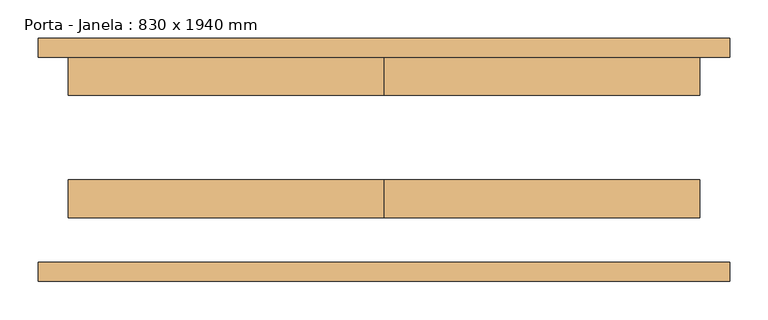
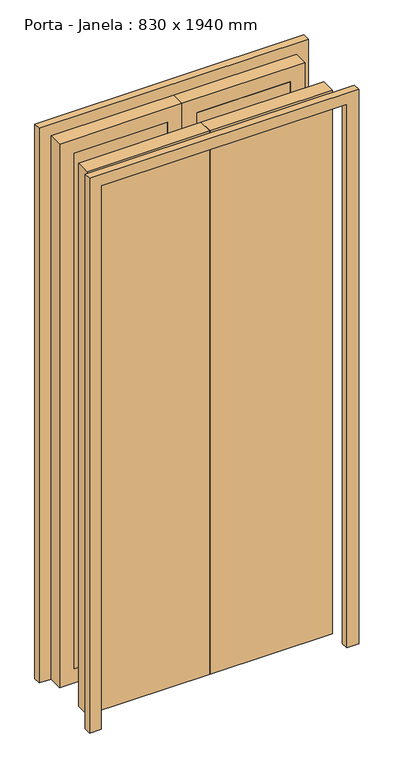
"""IFC4 building model written with IfcOpenShell, lengths in millimetres: door geometry, Porta - Janela : 830 x 1940 mm."""

from ifc_helpers import new_model, si_unit, frame, origin, origin_with_axes, place, context, project, spatial, polyline, outline, extrude, source, transform, mapped, element, save


def porta_janela_830_x_1940_mm_e90587fc(model_context):
    return source(origin(), model_context, "Body", "SweptSolid", [
        extrude(outline(polyline([(1940.0, -415.0), (1940.0, 415.0), (0.0, 415.0), (0.0, 455.0), (1980.0, 455.0), (1980.0, -455.0), (0.0, -455.0), (0.0, -415.0), (1940.0, -415.0)])), frame((0.0, -160.0, 0.0), z_axis=(0.0, 1.0, 0.0), x_axis=(0.0, 0.0, 1.0)), (0.0, 0.0, 1.0), 25.0),
        extrude(outline(polyline([(1940.0, -415.0), (1940.0, 415.0), (0.0, 415.0), (0.0, 455.0), (1980.0, 455.0), (1980.0, -455.0), (0.0, -455.0), (0.0, -415.0), (1940.0, -415.0)])), frame((0.0, 135.0, 0.0), z_axis=(0.0, 1.0, 0.0), x_axis=(0.0, 0.0, 1.0)), (0.0, 0.0, 1.0), 25.0),
        extrude(outline(polyline([(50.0, 135.0), (365.0, 135.0), (365.0, 85.0), (50.0, 85.0), (50.0, 135.0)])), frame((0.0, 0.0, 50.0), z_axis=(0.0, 0.0, 1.0), x_axis=(1.0, 0.0, 0.0)), (0.0, 0.0, 1.0), 1840.0),
        extrude(outline(polyline([(-365.0, 135.0), (-50.0, 135.0), (-50.0, 85.0), (-365.0, 85.0), (-365.0, 135.0)])), frame((0.0, 0.0, 50.0), z_axis=(0.0, 0.0, 1.0), x_axis=(1.0, 0.0, 0.0)), (0.0, 0.0, 1.0), 1840.0),
        extrude(outline(polyline([(415.0, -76.2), (0.0, -76.2), (0.0, -26.2), (415.0, -26.2), (415.0, -76.2)])), origin_with_axes(), (0.0, 0.0, 1.0), 1940.0),
        extrude(outline(polyline([(0.0, -76.2), (-415.0, -76.2), (-415.0, -26.2), (0.0, -26.2), (0.0, -76.2)])), origin_with_axes(), (0.0, 0.0, 1.0), 1940.0),
        extrude(outline(polyline([(1940.0, 0.0), (0.0, 0.0), (0.0, 415.0), (1940.0, 415.0), (1940.0, 0.0)]), holes=[polyline([(1890.0, 50.0), (1890.0, 365.0), (50.0, 365.0), (50.0, 50.0), (1890.0, 50.0)])]), frame((0.0, 85.0, 0.0), z_axis=(0.0, 1.0, 0.0), x_axis=(0.0, 0.0, 1.0)), (0.0, 0.0, 1.0), 50.0),
        extrude(outline(polyline([(1940.0, -415.0), (0.0, -415.0), (0.0, 0.0), (1940.0, 0.0), (1940.0, -415.0)]), holes=[polyline([(1890.0, -365.0), (1890.0, -50.0), (50.0, -50.0), (50.0, -365.0), (1890.0, -365.0)])]), frame((0.0, 85.0, 0.0), z_axis=(0.0, 1.0, 0.0), x_axis=(0.0, 0.0, 1.0)), (0.0, 0.0, 1.0), 50.0),
    ])


if __name__ == "__main__":
    model = new_model("IFC4")
    model_context = context("Model", 3, world=origin())
    ifc_project = project(units=[si_unit("LENGTHUNIT", "METRE", prefix="MILLI")], contexts=[model_context])
    site = spatial("IfcSite", under=ifc_project)
    building = spatial("IfcBuilding", under=site)
    placement = place(None, origin())
    porta_janela_830_x_1940_mm_shape = porta_janela_830_x_1940_mm_e90587fc(model_context)
    element("IfcDoor", 1, ObjectType="Porta - Janela : 830 x 1940 mm", at=placement, inside=building, context=model_context, shape_type="MappedRepresentation", body=[
        mapped(porta_janela_830_x_1940_mm_shape, transform((0.0, 0.0, 0.0), x_axis=(1.0, 0.0, 0.0), y_axis=(0.0, 1.0, 0.0), z_axis=(0.0, 0.0, 1.0))),
    ])
    save(model, "model.ifc")
